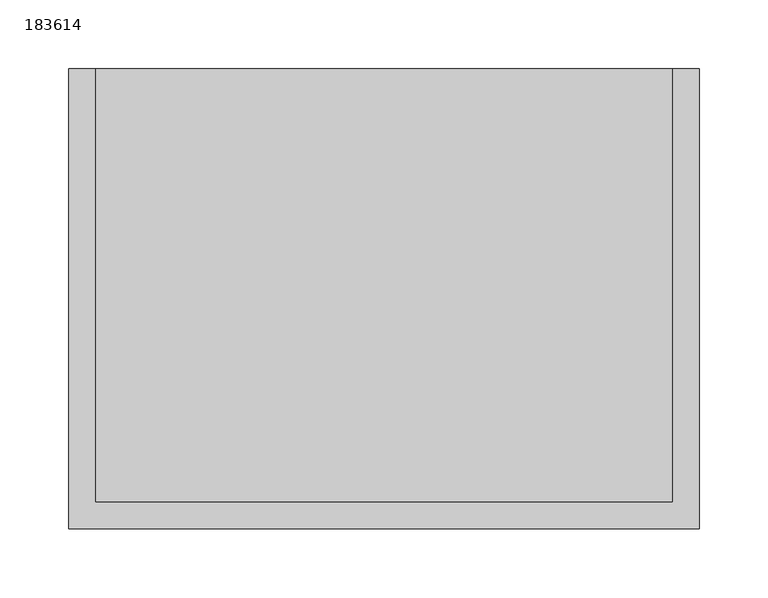
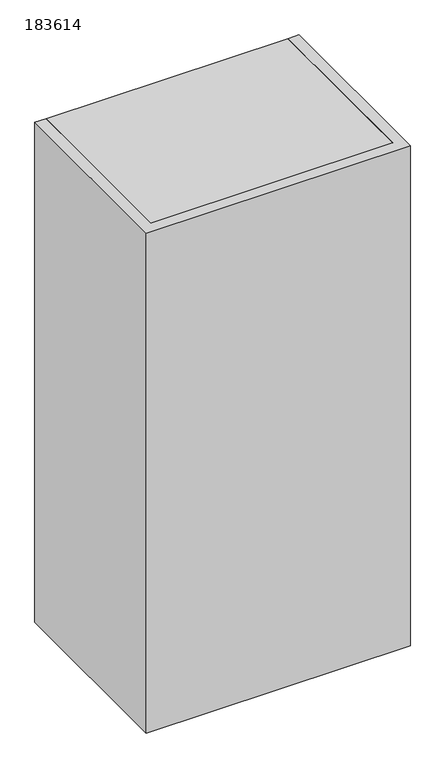
"""IFC4 building model written with IfcOpenShell, lengths in millimetres: furniture geometry, 183614."""

from ifc_helpers import new_model, si_unit, frame, origin, place, context, project, spatial, polyline, outline, extrude, source, transform, mapped, element, save


def furniture_183614_4d6f13ac(model_context):
    return source(origin(), model_context, "Body", "SweptSolid", [
        extrude(outline(polyline([(209.4, 409.8), (228.6, 409.8), (228.6, 76.2), (-228.6, 76.2), (-228.6, 409.8), (-209.4, 409.8), (-209.4, 95.4), (209.4, 95.4), (209.4, 409.8)])), frame((0.0, 0.0, 1219.2), z_axis=(0.0, 0.0, 1.0), x_axis=(1.0, 0.0, 0.0)), (0.0, 0.0, 1.0), 914.4),
        extrude(outline(polyline([(209.4, 95.4), (-209.4, 95.4), (-209.4, 399.8), (209.4, 399.8), (209.4, 95.4)])), frame((0.0, 0.0, 1816.0), z_axis=(0.0, 0.0, 1.0), x_axis=(1.0, 0.0, 0.0)), (0.0, 0.0, 1.0), 19.2),
        extrude(outline(polyline([(209.4, 95.4), (-209.4, 95.4), (-209.4, 399.8), (209.4, 399.8), (209.4, 95.4)])), frame((0.0, 0.0, 1517.6), z_axis=(0.0, 0.0, 1.0), x_axis=(1.0, 0.0, 0.0)), (0.0, 0.0, 1.0), 19.2),
        extrude(outline(polyline([(209.4, 409.8), (209.4, 95.4), (-209.4, 95.4), (-209.4, 409.8), (209.4, 409.8)])), frame((0.0, 0.0, 2114.4), z_axis=(0.0, 0.0, 1.0), x_axis=(1.0, 0.0, 0.0)), (0.0, 0.0, 1.0), 19.2),
        extrude(outline(polyline([(209.4, 409.8), (209.4, 95.4), (-209.4, 95.4), (-209.4, 409.8), (209.4, 409.8)])), frame((0.0, 0.0, 1219.2), z_axis=(0.0, 0.0, 1.0), x_axis=(1.0, 0.0, 0.0)), (0.0, 0.0, 1.0), 19.2),
    ])


if __name__ == "__main__":
    model = new_model("IFC4")
    model_context = context("Model", 3, world=origin())
    ifc_project = project(units=[si_unit("LENGTHUNIT", "METRE", prefix="MILLI")], contexts=[model_context])
    site = spatial("IfcSite", under=ifc_project)
    building = spatial("IfcBuilding", under=site)
    placement = place(None, origin())
    furniture_183614_shape = furniture_183614_4d6f13ac(model_context)
    element("IfcFurniture", 1, ObjectType="183614", at=placement, inside=building, context=model_context, shape_type="MappedRepresentation", body=[
        mapped(furniture_183614_shape, transform((0.0, 0.0, 0.0), x_axis=(1.0, 0.0, 0.0), y_axis=(0.0, 1.0, 0.0), z_axis=(0.0, 0.0, 1.0))),
    ])
    save(model, "model.ifc")
